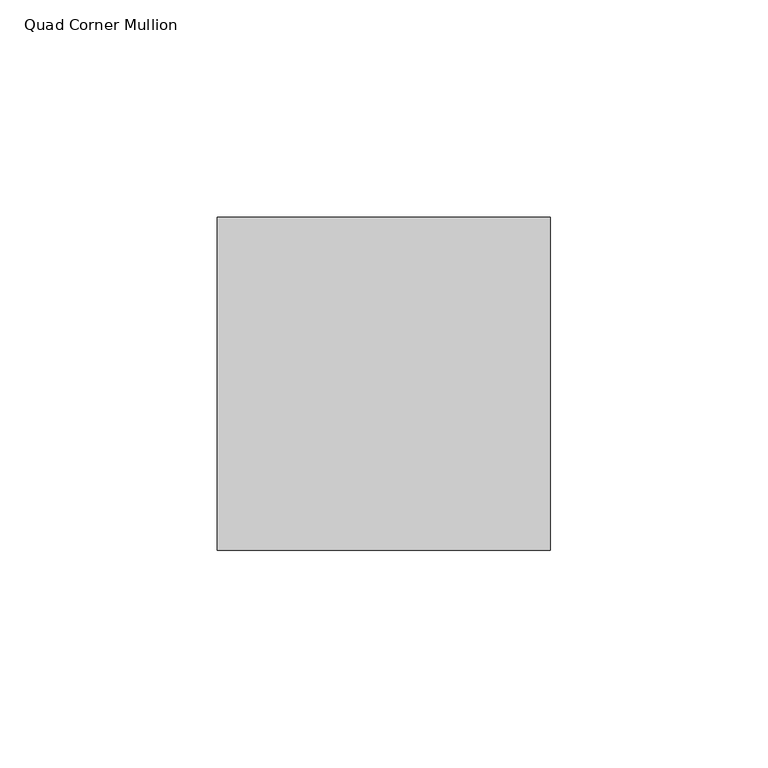
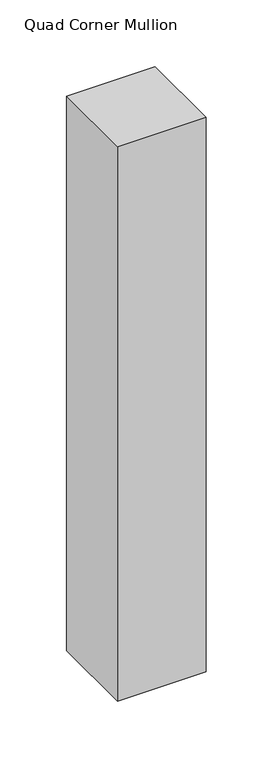
"""IFC4 building model written with IfcOpenShell, lengths in millimetres: member geometry, Quad Corner Mullion."""

import ifcopenshell
import ifcopenshell.guid

model = None  # the IFC model being written
_history = None  # IfcOwnerHistory: only IFC2X3 demands one
_inside = {}  # id of a spatial element -> (the spatial element, [elements in it])
_under = {}  # id of a project, library or spatial element -> (it, [spatial elements below it])
_declared = {}  # id of a project -> (the project, [libraries it declares])
_typed = {}  # id of a type object -> (the type object, [elements of that type])
_made_of = {}  # id of a material, layer set ... -> (it, [elements and type objects made of it])


def new_model(schema):
    """Start an empty IFC model of exactly this schema.

    Asked for "IFC4X3", IfcOpenShell would pick the latest addendum, in which some entities
    have other attributes; the version numbers below select the first issue.
    IFC2X3 requires an IfcOwnerHistory on every rooted entity: one is made here for all.
    """
    global model, _history
    if schema == "IFC4X3":
        model = ifcopenshell.file(schema_version=(4, 3, 0, 0))
    else:
        model = ifcopenshell.file(schema=schema)
    _inside.clear()
    _under.clear()
    _declared.clear()
    _typed.clear()
    _made_of.clear()
    _history = None
    if model.schema == "IFC2X3":
        org = make("IfcOrganization", Name="unknown")
        user = make(
            "IfcPersonAndOrganization",
            ThePerson=make("IfcPerson", FamilyName="unknown"),
            TheOrganization=org,
        )
        app = make(
            "IfcApplication",
            ApplicationDeveloper=org,
            Version="unknown",
            ApplicationFullName="unknown",
            ApplicationIdentifier="unknown",
        )
        _history = make(
            "IfcOwnerHistory",
            OwningUser=user,
            OwningApplication=app,
            ChangeAction="ADDED",
            CreationDate=0,
        )
    return model


def make(cls, **values):
    """One entity of the class cls with the attributes given. An attribute that is None is left unset."""
    return model.create_entity(
        cls, **{name: value for name, value in values.items() if value is not None}
    )


def rooted(cls, **values):
    """An entity with a GlobalId (a new one), such as an element, a storey or a relation."""
    return make(cls, GlobalId=ifcopenshell.guid.new(), OwnerHistory=_history, **values)


def si_unit(unit_type, name, prefix=None):
    """IfcSIUnit, for example si_unit("LENGTHUNIT", "METRE", prefix="MILLI")."""
    return make("IfcSIUnit", UnitType=unit_type, Prefix=prefix, Name=name)


def assignment(units):
    """IfcUnitAssignment: the units of a project."""
    return None if units is None else make("IfcUnitAssignment", Units=units)


def point(xyz):
    """IfcCartesianPoint."""
    return None if xyz is None else make("IfcCartesianPoint", Coordinates=xyz)


def direction(xyz):
    """IfcDirection."""
    return None if xyz is None else make("IfcDirection", DirectionRatios=xyz)


def frame(location, z_axis=None, x_axis=None):
    """IfcAxis2Placement3D, a coordinate frame: its origin and axes. An axis left out is left unset."""
    return make(
        "IfcAxis2Placement3D",
        Location=point(location),
        Axis=direction(z_axis),
        RefDirection=direction(x_axis),
    )


def origin():
    """The frame at (0, 0, 0) with its axes left unset."""
    return frame((0.0, 0.0, 0.0))


def place(relative_to, where):
    """IfcLocalPlacement: puts the frame where relative to a parent placement (None: the world)."""
    return make(
        "IfcLocalPlacement", PlacementRelTo=relative_to, RelativePlacement=where
    )


def context(
    kind, dimensions, precision=None, world=None, true_north=None, identifier=None
):
    """IfcGeometricRepresentationContext, for example the 3D "Model" context."""
    return make(
        "IfcGeometricRepresentationContext",
        ContextIdentifier=identifier,
        ContextType=kind,
        CoordinateSpaceDimension=dimensions,
        Precision=precision,
        WorldCoordinateSystem=world,
        TrueNorth=true_north,
    )


def project(units=None, contexts=None):
    """IfcProject with its units and contexts."""
    return rooted(
        "IfcProject",
        Name="project",
        RepresentationContexts=contexts,
        UnitsInContext=assignment(units),
    )


def spatial(cls, under=None, at=None, **own):
    """A site, building, storey or space (cls), placed at a placement, below another one or the project."""
    s = rooted(cls, ObjectPlacement=at, **own)
    if under is not None:
        _under.setdefault(under.id(), (under, []))[1].append(s)
    return s


def polyline(points):
    """IfcPolyline through the points."""
    return make("IfcPolyline", Points=[point(p) for p in points])


def outline(outer, holes=None, kind="AREA"):
    """IfcArbitraryClosedProfileDef: a profile drawn as a closed curve; with holes, ...WithVoids."""
    if holes is None:
        return make("IfcArbitraryClosedProfileDef", ProfileType=kind, OuterCurve=outer)
    return make(
        "IfcArbitraryProfileDefWithVoids",
        ProfileType=kind,
        OuterCurve=outer,
        InnerCurves=holes,
    )


def extrude(swept, where, along, depth):
    """IfcExtrudedAreaSolid: the profile swept, set in the frame where, extruded along a direction by depth."""
    return make(
        "IfcExtrudedAreaSolid",
        SweptArea=swept,
        Position=where,
        ExtrudedDirection=direction(along),
        Depth=depth,
    )


def shape(context_of_items, identifier, shape_type, items):
    """IfcShapeRepresentation: the items that make up one representation, for example the "Body"."""
    return make(
        "IfcShapeRepresentation",
        ContextOfItems=context_of_items,
        RepresentationIdentifier=identifier,
        RepresentationType=shape_type,
        Items=items,
    )


def source(mapping_origin, context_of_items, identifier, shape_type, items):
    """IfcRepresentationMap: a shape defined once, which mapped items show again and again."""
    return make(
        "IfcRepresentationMap",
        MappingOrigin=mapping_origin,
        MappedRepresentation=shape(context_of_items, identifier, shape_type, items),
    )


def transform(
    local_origin,
    x_axis=None,
    y_axis=None,
    z_axis=None,
    scale=None,
    scale2=None,
    scale3=None,
    uniform=True,
):
    """IfcCartesianTransformationOperator3D, or its non-uniform kind. x_axis, y_axis, z_axis: its Axis1, 2, 3."""
    if uniform:
        return make(
            "IfcCartesianTransformationOperator3D",
            Axis1=direction(x_axis),
            Axis2=direction(y_axis),
            LocalOrigin=point(local_origin),
            Scale=scale,
            Axis3=direction(z_axis),
        )
    return make(
        "IfcCartesianTransformationOperator3DnonUniform",
        Axis1=direction(x_axis),
        Axis2=direction(y_axis),
        LocalOrigin=point(local_origin),
        Scale=scale,
        Axis3=direction(z_axis),
        Scale2=scale2,
        Scale3=scale3,
    )


def mapped(mapping_source, mapping_target):
    """IfcMappedItem: shows the shape of a source again, moved by a transform."""
    return make(
        "IfcMappedItem", MappingSource=mapping_source, MappingTarget=mapping_target
    )


def made_of(thing, what):
    """Note that an element or type object is made of a material, layer set ...; save() writes the relation."""
    if what is not None:
        _made_of.setdefault(what.id(), (what, []))[1].append(thing)
    return thing


def element(
    cls,
    number,
    at=None,
    inside=None,
    cuts=None,
    type_object=None,
    material=None,
    context=None,
    identifier="Body",
    shape_type=None,
    held_by="IfcProductDefinitionShape",
    body=None,
    shapes=None,
    **own,
):
    """One element of the class cls, such as IfcWall. Its Tag is "e" and its number.

    at: its placement. inside: the storey or other place that contains it. cuts: it is an
    opening in that element (IfcRelVoidsElement). A single representation is given by context,
    identifier, shape_type and body (its items); several are given by shapes. held_by: the class
    of the entity that holds the representations. save() writes the other relations.
    """
    e = rooted(cls, Tag="e%d" % number, ObjectPlacement=at, **own)
    if body is not None:
        shapes = [shape(context, identifier, shape_type, body)]
    if shapes is not None:
        e.Representation = make(held_by, Representations=shapes)
    if inside is not None:
        _inside.setdefault(inside.id(), (inside, []))[1].append(e)
    if cuts is not None:
        rooted(
            "IfcRelVoidsElement", RelatingBuildingElement=cuts, RelatedOpeningElement=e
        )
    if type_object is not None:
        _typed.setdefault(type_object.id(), (type_object, []))[1].append(e)
    return made_of(e, material)


def aggregate(whole, parts):
    """IfcRelAggregates: a whole, such as a stair, and the parts it consists of."""
    return rooted("IfcRelAggregates", RelatingObject=whole, RelatedObjects=parts)


def save(model, path):
    """Write the relations noted so far, then the file.

    IfcRelAggregates (storeys below a building ...), IfcRelContainedInSpatialStructure (elements
    in a storey), IfcRelDefinesByType, IfcRelAssociatesMaterial and IfcRelDeclares: one each for
    every whole, place, type object, material and project.
    """
    for whole, parts in _under.values():
        aggregate(whole, parts)
    for where, things in _inside.values():
        rooted(
            "IfcRelContainedInSpatialStructure",
            RelatedElements=things,
            RelatingStructure=where,
        )
    for kind, things in _typed.values():
        rooted("IfcRelDefinesByType", RelatedObjects=things, RelatingType=kind)
    for what, things in _made_of.values():
        rooted("IfcRelAssociatesMaterial", RelatedObjects=things, RelatingMaterial=what)
    for by, libraries in _declared.values():
        rooted("IfcRelDeclares", RelatingContext=by, RelatedDefinitions=libraries)
    model.write(path)


def quad_corner_mullion_9ec52572(model_context):
    return source(origin(), model_context, "Body", "SweptSolid", [
        extrude(outline(polyline([(38.1496094, -38.5464844), (-38.5464844, -38.5464844), (-38.5464844, 38.1496094), (38.1496094, 38.1496094), (38.1496094, -38.5464844)])), frame((0.0, 0.0, -507.51022), z_axis=(0.0, 0.0, 1.0), x_axis=(1.0, 0.0, 0.0)), (0.0, 0.0, 1.0), 507.51022),
    ])


if __name__ == "__main__":
    model = new_model("IFC4")
    model_context = context("Model", 3, world=origin())
    ifc_project = project(units=[si_unit("LENGTHUNIT", "METRE", prefix="MILLI")], contexts=[model_context])
    site = spatial("IfcSite", under=ifc_project)
    building = spatial("IfcBuilding", under=site)
    placement = place(None, origin())
    quad_corner_mullion_shape = quad_corner_mullion_9ec52572(model_context)
    element("IfcMember", 1, ObjectType="Quad Corner Mullion", at=placement, inside=building, context=model_context, shape_type="MappedRepresentation", body=[
        mapped(quad_corner_mullion_shape, transform((0.0, 0.0, 0.0), x_axis=(1.0, 0.0, 0.0), y_axis=(0.0, 1.0, 0.0), z_axis=(0.0, 0.0, 1.0))),
    ])
    save(model, "model.ifc")
